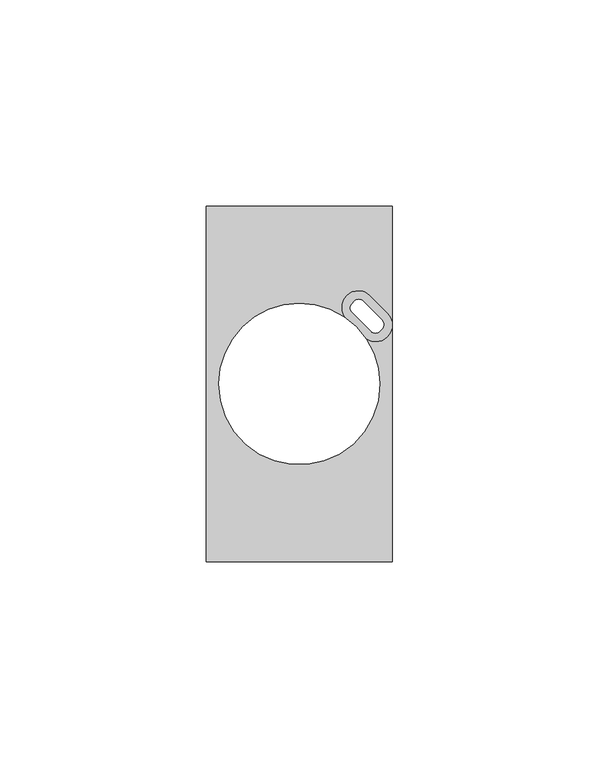
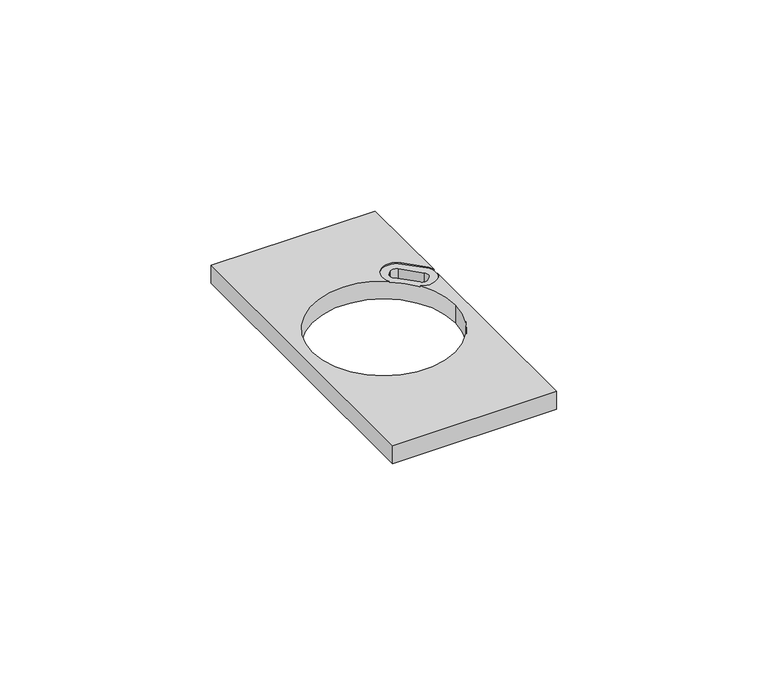
"""IFC4 building model written with IfcOpenShell, lengths in millimetres: proxy geometry."""

import ifcopenshell
import ifcopenshell.guid

model = None  # the IFC model being written
_history = None  # IfcOwnerHistory: only IFC2X3 demands one
_inside = {}  # id of a spatial element -> (the spatial element, [elements in it])
_under = {}  # id of a project, library or spatial element -> (it, [spatial elements below it])
_declared = {}  # id of a project -> (the project, [libraries it declares])
_typed = {}  # id of a type object -> (the type object, [elements of that type])
_made_of = {}  # id of a material, layer set ... -> (it, [elements and type objects made of it])


def new_model(schema):
    """Start an empty IFC model of exactly this schema.

    Asked for "IFC4X3", IfcOpenShell would pick the latest addendum, in which some entities
    have other attributes; the version numbers below select the first issue.
    IFC2X3 requires an IfcOwnerHistory on every rooted entity: one is made here for all.
    """
    global model, _history
    if schema == "IFC4X3":
        model = ifcopenshell.file(schema_version=(4, 3, 0, 0))
    else:
        model = ifcopenshell.file(schema=schema)
    _inside.clear()
    _under.clear()
    _declared.clear()
    _typed.clear()
    _made_of.clear()
    _history = None
    if model.schema == "IFC2X3":
        org = make("IfcOrganization", Name="unknown")
        user = make(
            "IfcPersonAndOrganization",
            ThePerson=make("IfcPerson", FamilyName="unknown"),
            TheOrganization=org,
        )
        app = make(
            "IfcApplication",
            ApplicationDeveloper=org,
            Version="unknown",
            ApplicationFullName="unknown",
            ApplicationIdentifier="unknown",
        )
        _history = make(
            "IfcOwnerHistory",
            OwningUser=user,
            OwningApplication=app,
            ChangeAction="ADDED",
            CreationDate=0,
        )
    return model


def make(cls, **values):
    """One entity of the class cls with the attributes given. An attribute that is None is left unset."""
    return model.create_entity(
        cls, **{name: value for name, value in values.items() if value is not None}
    )


def rooted(cls, **values):
    """An entity with a GlobalId (a new one), such as an element, a storey or a relation."""
    return make(cls, GlobalId=ifcopenshell.guid.new(), OwnerHistory=_history, **values)


def si_unit(unit_type, name, prefix=None):
    """IfcSIUnit, for example si_unit("LENGTHUNIT", "METRE", prefix="MILLI")."""
    return make("IfcSIUnit", UnitType=unit_type, Prefix=prefix, Name=name)


def assignment(units):
    """IfcUnitAssignment: the units of a project."""
    return None if units is None else make("IfcUnitAssignment", Units=units)


def point(xyz):
    """IfcCartesianPoint."""
    return None if xyz is None else make("IfcCartesianPoint", Coordinates=xyz)


def direction(xyz):
    """IfcDirection."""
    return None if xyz is None else make("IfcDirection", DirectionRatios=xyz)


def frame(location, z_axis=None, x_axis=None):
    """IfcAxis2Placement3D, a coordinate frame: its origin and axes. An axis left out is left unset."""
    return make(
        "IfcAxis2Placement3D",
        Location=point(location),
        Axis=direction(z_axis),
        RefDirection=direction(x_axis),
    )


def origin():
    """The frame at (0, 0, 0) with its axes left unset."""
    return frame((0.0, 0.0, 0.0))


def place(relative_to, where):
    """IfcLocalPlacement: puts the frame where relative to a parent placement (None: the world)."""
    return make(
        "IfcLocalPlacement", PlacementRelTo=relative_to, RelativePlacement=where
    )


def context(
    kind, dimensions, precision=None, world=None, true_north=None, identifier=None
):
    """IfcGeometricRepresentationContext, for example the 3D "Model" context."""
    return make(
        "IfcGeometricRepresentationContext",
        ContextIdentifier=identifier,
        ContextType=kind,
        CoordinateSpaceDimension=dimensions,
        Precision=precision,
        WorldCoordinateSystem=world,
        TrueNorth=true_north,
    )


def project(units=None, contexts=None):
    """IfcProject with its units and contexts."""
    return rooted(
        "IfcProject",
        Name="project",
        RepresentationContexts=contexts,
        UnitsInContext=assignment(units),
    )


def spatial(cls, under=None, at=None, **own):
    """A site, building, storey or space (cls), placed at a placement, below another one or the project."""
    s = rooted(cls, ObjectPlacement=at, **own)
    if under is not None:
        _under.setdefault(under.id(), (under, []))[1].append(s)
    return s


def polyline(points):
    """IfcPolyline through the points."""
    return make("IfcPolyline", Points=[point(p) for p in points])


def circle_curve(where, radius):
    """IfcCircle in the frame where."""
    return make("IfcCircle", Position=where, Radius=radius)


def shape(context_of_items, identifier, shape_type, items):
    """IfcShapeRepresentation: the items that make up one representation, for example the "Body"."""
    return make(
        "IfcShapeRepresentation",
        ContextOfItems=context_of_items,
        RepresentationIdentifier=identifier,
        RepresentationType=shape_type,
        Items=items,
    )


def source(mapping_origin, context_of_items, identifier, shape_type, items):
    """IfcRepresentationMap: a shape defined once, which mapped items show again and again."""
    return make(
        "IfcRepresentationMap",
        MappingOrigin=mapping_origin,
        MappedRepresentation=shape(context_of_items, identifier, shape_type, items),
    )


def transform(
    local_origin,
    x_axis=None,
    y_axis=None,
    z_axis=None,
    scale=None,
    scale2=None,
    scale3=None,
    uniform=True,
):
    """IfcCartesianTransformationOperator3D, or its non-uniform kind. x_axis, y_axis, z_axis: its Axis1, 2, 3."""
    if uniform:
        return make(
            "IfcCartesianTransformationOperator3D",
            Axis1=direction(x_axis),
            Axis2=direction(y_axis),
            LocalOrigin=point(local_origin),
            Scale=scale,
            Axis3=direction(z_axis),
        )
    return make(
        "IfcCartesianTransformationOperator3DnonUniform",
        Axis1=direction(x_axis),
        Axis2=direction(y_axis),
        LocalOrigin=point(local_origin),
        Scale=scale,
        Axis3=direction(z_axis),
        Scale2=scale2,
        Scale3=scale3,
    )


def mapped(mapping_source, mapping_target):
    """IfcMappedItem: shows the shape of a source again, moved by a transform."""
    return make(
        "IfcMappedItem", MappingSource=mapping_source, MappingTarget=mapping_target
    )


def made_of(thing, what):
    """Note that an element or type object is made of a material, layer set ...; save() writes the relation."""
    if what is not None:
        _made_of.setdefault(what.id(), (what, []))[1].append(thing)
    return thing


def element(
    cls,
    number,
    at=None,
    inside=None,
    cuts=None,
    type_object=None,
    material=None,
    context=None,
    identifier="Body",
    shape_type=None,
    held_by="IfcProductDefinitionShape",
    body=None,
    shapes=None,
    **own,
):
    """One element of the class cls, such as IfcWall. Its Tag is "e" and its number.

    at: its placement. inside: the storey or other place that contains it. cuts: it is an
    opening in that element (IfcRelVoidsElement). A single representation is given by context,
    identifier, shape_type and body (its items); several are given by shapes. held_by: the class
    of the entity that holds the representations. save() writes the other relations.
    """
    e = rooted(cls, Tag="e%d" % number, ObjectPlacement=at, **own)
    if body is not None:
        shapes = [shape(context, identifier, shape_type, body)]
    if shapes is not None:
        e.Representation = make(held_by, Representations=shapes)
    if inside is not None:
        _inside.setdefault(inside.id(), (inside, []))[1].append(e)
    if cuts is not None:
        rooted(
            "IfcRelVoidsElement", RelatingBuildingElement=cuts, RelatedOpeningElement=e
        )
    if type_object is not None:
        _typed.setdefault(type_object.id(), (type_object, []))[1].append(e)
    return made_of(e, material)


def aggregate(whole, parts):
    """IfcRelAggregates: a whole, such as a stair, and the parts it consists of."""
    return rooted("IfcRelAggregates", RelatingObject=whole, RelatedObjects=parts)


def save(model, path):
    """Write the relations noted so far, then the file.

    IfcRelAggregates (storeys below a building ...), IfcRelContainedInSpatialStructure (elements
    in a storey), IfcRelDefinesByType, IfcRelAssociatesMaterial and IfcRelDeclares: one each for
    every whole, place, type object, material and project.
    """
    for whole, parts in _under.values():
        aggregate(whole, parts)
    for where, things in _inside.values():
        rooted(
            "IfcRelContainedInSpatialStructure",
            RelatedElements=things,
            RelatingStructure=where,
        )
    for kind, things in _typed.values():
        rooted("IfcRelDefinesByType", RelatedObjects=things, RelatingType=kind)
    for what, things in _made_of.values():
        rooted("IfcRelAssociatesMaterial", RelatedObjects=things, RelatingMaterial=what)
    for by, libraries in _declared.values():
        rooted("IfcRelDeclares", RelatingContext=by, RelatedDefinitions=libraries)
    model.write(path)


def plane_surface(at):
    """IfcPlane: the flat surface through the origin of the frame at, square to its z axis."""
    return make("IfcPlane", Position=at)


def revolved_surface(curve, axis_point, axis_direction):
    """IfcSurfaceOfRevolution: the curve turned about the line through axis_point along axis_direction."""
    return make(
        "IfcSurfaceOfRevolution",
        SweptCurve=make("IfcArbitraryOpenProfileDef", ProfileType="CURVE", Curve=curve),
        AxisPosition=make("IfcAxis1Placement", Location=point(axis_point), Axis=direction(axis_direction)),
    )


def advanced_brep(points, edges, surfaces, faces):
    """IfcAdvancedBrep: a solid bounded by faces that lie on surfaces and meet in shared edges.

    An edge is (start, end): straight between two places in points (the first is 0);
    or (start, end, curve); or (start, end, curve, False) where it runs against its curve.
    A face is (place in surfaces, loops), or (place, loops, False) where it looks against
    its surface's normal. A loop lists edges by number (the first is 1), with a minus sign
    where the edge is run from its end to its start. The first loop is the outer one.
    """
    corners = [point(p) for p in points]
    vertices = [make("IfcVertexPoint", VertexGeometry=c) for c in corners]
    made = []
    for start, end, *more in edges:
        made.append(
            make(
                "IfcEdgeCurve",
                EdgeStart=vertices[start],
                EdgeEnd=vertices[end],
                EdgeGeometry=more[0] if more else make("IfcPolyline", Points=[corners[start], corners[end]]),
                SameSense=more[1] if len(more) > 1 else True,
            )
        )
    hull = []
    for where, loops, *sense in faces:
        bounds = []
        for j, loop in enumerate(loops):
            ring = [make("IfcOrientedEdge", EdgeElement=made[abs(k) - 1], Orientation=k > 0) for k in loop]
            bounds.append(
                make(
                    "IfcFaceOuterBound" if j == 0 else "IfcFaceBound",
                    Bound=make("IfcEdgeLoop", EdgeList=ring),
                    Orientation=True,
                )
            )
        hull.append(make("IfcAdvancedFace", Bounds=bounds, FaceSurface=surfaces[where], SameSense=sense[0] if sense else True))
    return make("IfcAdvancedBrep", Outer=make("IfcClosedShell", CfsFaces=hull))


def electrical_fixtures_017fedee(model_context):
    return source(origin(), model_context, "Body", "AdvancedBrep", [
        advanced_brep(
        [(0.0, 0.0, 10.7), (45.0, 0.0, 10.7), (45.0, 56.3923004, 10.7), (43.9010823, 54.4086723, 10.7), (38.8173235, 53.8584048, 10.7), (42.1, 43.0, 10.7), (2.9, 43.0, 10.7), (33.3584048, 59.3173235, 10.7), (33.9086723, 64.4010823, 10.7), (39.6614134, 64.4111192, 10.7), (43.9111192, 60.1614134, 10.7), (45.0, 58.1877872, 10.7), (45.0, 86.0, 10.7), (0.0, 86.0, 10.7), (0.0, 0.0, 5.5), (0.0, 86.0, 5.5), (45.0, 86.0, 5.5), (45.0, 0.0, 5.5), (2.9, 43.0, 5.5), (42.1, 43.0, 5.5), (42.5464772, 58.4502832, 5.5), (37.9502832, 63.0464772, 5.5), (35.8289628, 63.0464772, 5.5), (35.2632774, 62.4807918, 5.5), (35.2632774, 60.3594715, 5.5), (39.8594715, 55.7632774, 5.5), (41.9807918, 55.7632774, 5.5), (42.5464772, 56.3289628, 5.5), (45.0, 58.1877872, 10.3254765), (45.0, 56.3923004, 10.3254765), (38.8173235, 53.8584048, 10.3254765), (33.3584048, 59.3173235, 10.3254765), (42.5464772, 56.3289628, 10.3254765), (42.5464772, 58.4502832, 10.3254765), (41.9807918, 55.7632774, 10.3254765), (39.8594715, 55.7632774, 10.3254765), (35.2632774, 60.3594715, 10.3254765), (35.2632774, 62.4807918, 10.3254765), (35.8289628, 63.0464772, 10.3254765), (37.9502832, 63.0464772, 10.3254765), (43.9111192, 60.1614134, 10.3254765), (39.6614134, 64.4111192, 10.3254765), (33.9086723, 64.4010823, 10.3254765), (43.9010823, 54.4086723, 10.3254765)],
        [
            (0, 1),
            (1, 2),
            (2, 3, circle_curve(frame((41.0397496, 57.2900438, 10.7), z_axis=(0.0, 0.0, -1.0), x_axis=(0.0, -1.0, 0.0)), 4.0607298)),
            (3, 4, circle_curve(frame((41.0197108, 57.2700051, 10.7), z_axis=(0.0, 0.0, -1.0), x_axis=(1.0, 0.0, 0.0)), 4.0607298)),
            (4, 5, circle_curve(frame((22.5, 43.0, 10.7), z_axis=(0.0, 0.0, -1.0), x_axis=(1.0, 0.0, 0.0)), 19.6)),
            (5, 6, circle_curve(frame((22.5, 43.0, 10.7), z_axis=(0.0, 0.0, -1.0), x_axis=(1.0, 0.0, 0.0)), 19.6)),
            (6, 7, circle_curve(frame((22.5, 43.0, 10.7), z_axis=(0.0, 0.0, -1.0), x_axis=(1.0, 0.0, 0.0)), 19.6)),
            (7, 8, circle_curve(frame((36.7700051, 61.5197108, 10.7), z_axis=(0.0, 0.0, -1.0), x_axis=(0.0, 1.0, 0.0)), 4.0607298)),
            (8, 9, circle_curve(frame((36.7900438, 61.5397496, 10.7), z_axis=(0.0, 0.0, -1.0), x_axis=(-1.0, 0.0, 0.0)), 4.0607298)),
            (9, 10),
            (10, 11, circle_curve(frame((41.0397496, 57.2900438, 10.7), z_axis=(0.0, 0.0, -1.0), x_axis=(0.0, -1.0, 0.0)), 4.0607298)),
            (11, 12),
            (12, 13),
            (13, 0),
            (14, 15),
            (15, 16),
            (16, 17),
            (17, 14),
            (18, 19, circle_curve(frame((22.5, 43.0, 5.5), z_axis=(0.0, 0.0, 1.0), x_axis=(1.0, 0.0, 0.0)), 19.6)),
            (19, 18, circle_curve(frame((22.5, 43.0, 5.5), z_axis=(0.0, 0.0, 1.0), x_axis=(1.0, 0.0, 0.0)), 19.6)),
            (20, 21),
            (21, 22, circle_curve(frame((36.889623, 61.9858171, 5.5), z_axis=(0.0, 0.0, 1.0), x_axis=(1.0, 0.0, 0.0)), 1.5)),
            (22, 23),
            (23, 24, circle_curve(frame((36.3239376, 61.4201316, 5.5), z_axis=(0.0, 0.0, 1.0), x_axis=(1.0, 0.0, 0.0)), 1.5)),
            (24, 25),
            (25, 26, circle_curve(frame((40.9201316, 56.8239376, 5.5), z_axis=(0.0, 0.0, 1.0), x_axis=(1.0, 0.0, 0.0)), 1.5)),
            (26, 27),
            (27, 20, circle_curve(frame((41.4858171, 57.389623, 5.5), z_axis=(0.0, 0.0, 1.0), x_axis=(1.0, 0.0, 0.0)), 1.5)),
            (0, 14),
            (17, 1),
            (16, 12),
            (11, 28),
            (28, 29),
            (29, 2),
            (15, 13),
            (19, 5),
            (4, 30),
            (30, 31, circle_curve(frame((22.5, 43.0, 10.3254765), z_axis=(0.0, 0.0, 1.0), x_axis=(1.0, 0.0, 0.0)), 19.6)),
            (31, 7),
            (6, 18),
            (27, 32),
            (32, 33, circle_curve(frame((41.4858171, 57.389623, 10.3254765), z_axis=(0.0, 0.0, 1.0), x_axis=(1.0, 0.0, 0.0)), 1.5)),
            (33, 20),
            (26, 34),
            (34, 32),
            (25, 35),
            (35, 34, circle_curve(frame((40.9201316, 56.8239376, 10.3254765), z_axis=(0.0, 0.0, 1.0), x_axis=(1.0, 0.0, 0.0)), 1.5)),
            (24, 36),
            (36, 35),
            (23, 37),
            (37, 36, circle_curve(frame((36.3239376, 61.4201316, 10.3254765), z_axis=(0.0, 0.0, 1.0), x_axis=(1.0, 0.0, 0.0)), 1.5)),
            (22, 38),
            (38, 37),
            (21, 39),
            (39, 38, circle_curve(frame((36.889623, 61.9858171, 10.3254765), z_axis=(0.0, 0.0, 1.0), x_axis=(1.0, 0.0, 0.0)), 1.5)),
            (33, 39),
            (40, 41),
            (41, 42, circle_curve(frame((36.7900438, 61.5397496, 10.3254765), z_axis=(0.0, 0.0, 1.0), x_axis=(-1.0, 0.0, 0.0)), 4.0607298)),
            (42, 31, circle_curve(frame((36.7700051, 61.5197108, 10.3254765), z_axis=(0.0, 0.0, 1.0), x_axis=(0.0, 1.0, 0.0)), 4.0607298)),
            (30, 43, circle_curve(frame((41.0197108, 57.2700051, 10.3254765), z_axis=(0.0, 0.0, 1.0), x_axis=(1.0, 0.0, 0.0)), 4.0607298)),
            (43, 29, circle_curve(frame((41.0397496, 57.2900438, 10.3254765), z_axis=(0.0, 0.0, 1.0), x_axis=(0.0, -1.0, 0.0)), 4.0607298)),
            (28, 40, circle_curve(frame((41.0397496, 57.2900438, 10.3254765), z_axis=(0.0, 0.0, 1.0), x_axis=(0.0, -1.0, 0.0)), 4.0607298)),
            (40, 10),
            (9, 41),
            (8, 42),
            (3, 43),
        ],
        [
            plane_surface(frame((43.9, 0.0, 10.7), z_axis=(0.0, 0.0, 1.0), x_axis=(1.0, 0.0, 0.0))),
            plane_surface(frame((43.9, 0.0, 5.5), z_axis=(0.0, 0.0, -1.0), x_axis=(-1.0, 0.0, 0.0))),
            plane_surface(frame((0.0, 0.0, 10.7), z_axis=(0.0, -1.0, 0.0), x_axis=(0.0, 0.0, -1.0))),
            plane_surface(frame((45.0, 0.0, 10.7), z_axis=(1.0, 0.0, 0.0), x_axis=(0.0, 0.0, -1.0))),
            plane_surface(frame((45.0, 86.0, 10.7), z_axis=(0.0, 1.0, 0.0), x_axis=(0.0, 0.0, -1.0))),
            plane_surface(frame((0.0, 86.0, 10.7), z_axis=(-1.0, 0.0, 0.0), x_axis=(0.0, 0.0, -1.0))),
            revolved_surface(polyline([(42.1, 43.0, 5.5), (42.1, 43.0, 10.7)]), (22.5, 43.0, 0.0), (0.0, 0.0, -1.0)),
            revolved_surface(polyline([(42.9858171, 57.389623, 5.5), (42.9858171, 57.389623, 10.3254765)]), (41.4858171, 57.389623, 0.0), (0.0, 0.0, -1.0)),
            plane_surface(frame((42.5464772, 56.3289628, 10.7), z_axis=(-0.7071067811865476, 0.7071067811865476, 0.0), x_axis=(0.0, 0.0, -1.0))),
            revolved_surface(polyline([(42.4201316, 56.8239376, 5.5), (42.4201316, 56.8239376, 10.3254765)]), (40.9201316, 56.8239376, 0.0), (0.0, 0.0, -1.0)),
            plane_surface(frame((39.8594715, 55.7632774, 10.7), z_axis=(0.707106781186553, 0.707106781186542, 0.0), x_axis=(0.0, 0.0, -1.0))),
            revolved_surface(polyline([(37.8239376, 61.4201316, 5.5), (37.8239376, 61.4201316, 10.3254765)]), (36.3239376, 61.4201316, 0.0), (0.0, 0.0, -1.0)),
            plane_surface(frame((35.2632774, 62.4807918, 10.7), z_axis=(0.7071067811865528, -0.7071067811865422, 0.0), x_axis=(0.0, 0.0, -1.0))),
            revolved_surface(polyline([(38.389623, 61.9858171, 5.5), (38.389623, 61.9858171, 10.3254765)]), (36.889623, 61.9858171, 0.0), (0.0, 0.0, -1.0)),
            plane_surface(frame((37.9502832, 63.0464772, 10.7), z_axis=(-0.7071067811865501, -0.7071067811865449, 0.0), x_axis=(0.0, 0.0, -1.0))),
            plane_surface(frame((39.6614134, 64.4111192, 10.3254765), z_axis=(0.0, 0.0, 1.0), x_axis=(0.707106781186544, -0.707106781186551, 0.0))),
            plane_surface(frame((43.9111192, 60.1614134, 10.7), z_axis=(-0.707106781186551, -0.707106781186544, 0.0), x_axis=(0.0, 0.0, -1.0))),
            revolved_surface(polyline([(32.729314, 61.5397496, 10.7), (32.729314, 61.5397496, 10.3254765)]), (36.7900438, 61.5397496, 10.3254765), (0.0, 0.0, 1.0)),
            revolved_surface(polyline([(36.7700051, 65.5804406, 10.7), (36.7700051, 65.5804406, 10.3254765)]), (36.7700051, 61.5197108, 10.3254765), (0.0, 0.0, 1.0)),
            revolved_surface(polyline([(45.080440599999996, 57.2700051, 10.7), (45.080440599999996, 57.2700051, 10.3254765)]), (41.0197108, 57.2700051, 10.3254765), (0.0, 0.0, 1.0)),
            revolved_surface(polyline([(41.0397496, 53.229314, 10.7), (41.0397496, 53.229314, 10.3254765)]), (41.0397496, 57.2900438, 10.3254765), (0.0, 0.0, 1.0)),
        ],
        [
            (0, [[1, 2, 3, 4, 5, 6, 7, 8, 9, 10, 11, 12, 13, 14]]),
            (1, [[15, 16, 17, 18], [19, 20], [21, 22, 23, 24, 25, 26, 27, 28]]),
            (2, [[-1, 29, -18, 30]]),
            (3, [[-17, 31, -12, 32, 33, 34, -2, -30]]),
            (4, [[-13, -31, -16, 35]]),
            (5, [[-14, -35, -15, -29]]),
            (6, [[-20, 36, -5, 37, 38, 39, -7, 40]]),
            (6, [[-6, -36, -19, -40]]),
            (7, [[-28, 41, 42, 43]]),
            (8, [[-27, 44, 45, -41]]),
            (9, [[-26, 46, 47, -44]]),
            (10, [[-25, 48, 49, -46]]),
            (11, [[-24, 50, 51, -48]]),
            (12, [[-23, 52, 53, -50]]),
            (13, [[-22, 54, 55, -52]]),
            (14, [[-21, -43, 56, -54]]),
            (15, [[57, 58, 59, -38, 60, 61, -33, 62], [-42, -45, -47, -49, -51, -53, -55, -56]]),
            (16, [[-57, 63, -10, 64]]),
            (17, [[-58, -64, -9, 65]]),
            (18, [[-65, -8, -39, -59]]),
            (19, [[66, -60, -37, -4]]),
            (20, [[-63, -62, -32, -11]]),
            (20, [[-66, -3, -34, -61]]),
        ],
    ),
    ])


if __name__ == "__main__":
    model = new_model("IFC4")
    model_context = context("Model", 3, world=origin())
    ifc_project = project(units=[si_unit("LENGTHUNIT", "METRE", prefix="MILLI")], contexts=[model_context])
    site = spatial("IfcSite", under=ifc_project)
    building = spatial("IfcBuilding", under=site)
    placement = place(None, origin())
    electrical_fixtures_shape = electrical_fixtures_017fedee(model_context)
    element("IfcBuildingElementProxy", 1, Name="Electrical Fixtures", at=placement, inside=building, context=model_context, shape_type="MappedRepresentation", body=[
        mapped(electrical_fixtures_shape, transform((0.0, 0.0, 0.0), x_axis=(1.0, 0.0, 0.0), y_axis=(0.0, 1.0, 0.0), z_axis=(0.0, 0.0, 1.0))),
    ])
    save(model, "model.ifc")
